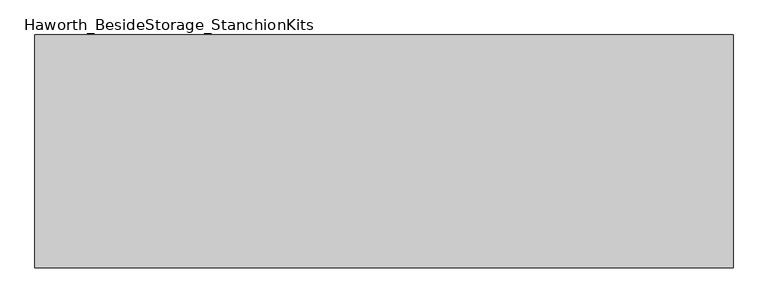
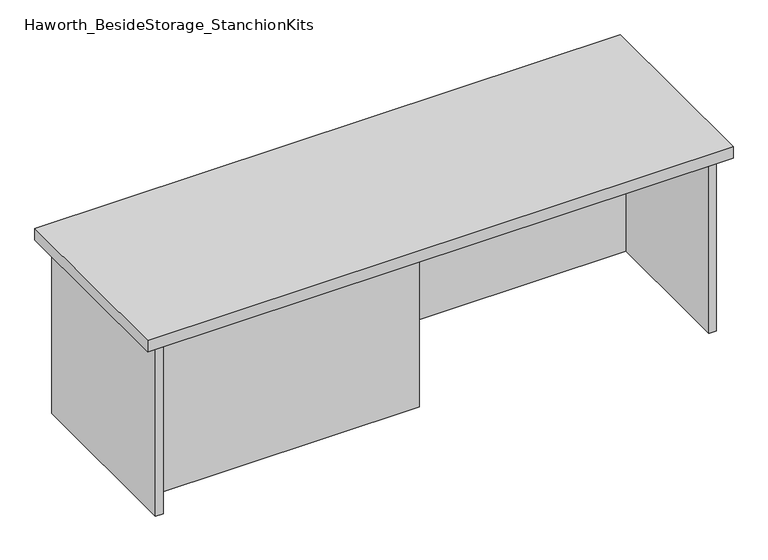
"""IFC4 building model written with IfcOpenShell, lengths in millimetres: furniture geometry, Haworth_BesideStorage_StanchionKits."""

from ifc_helpers import new_model, si_unit, frame, origin, place, context, project, spatial, polyline, outline, extrude, source, transform, mapped, element, save


def haworth_besidestorage_stanchionkits_8174a6ce(model_context):
    return source(origin(), model_context, "Body", "SweptSolid", [
        extrude(outline(polyline([(771.525, 0.0), (771.525, -406.4), (-447.675, -406.4), (-447.675, 0.0), (771.525, 0.0)])), frame((0.0, 0.0, 812.8), z_axis=(0.0, 0.0, 1.0), x_axis=(1.0, 0.0, 0.0)), (0.0, 0.0, 1.0), 25.4),
        extrude(outline(polyline([(161.925, -76.2), (730.25, -76.2), (730.25, -92.075), (161.925, -92.075), (161.925, -76.2)])), frame((0.0, 0.0, 431.8), z_axis=(0.0, 0.0, 1.0), x_axis=(1.0, 0.0, 0.0)), (0.0, 0.0, 1.0), 381.0),
        extrude(outline(polyline([(161.925, -314.325), (161.925, -330.2), (-406.4, -330.2), (-406.4, -314.325), (161.925, -314.325)])), frame((0.0, 0.0, 431.8), z_axis=(0.0, 0.0, 1.0), x_axis=(1.0, 0.0, 0.0)), (0.0, 0.0, 1.0), 381.0),
        extrude(outline(polyline([(746.125, -390.525), (730.25, -390.525), (730.25, -15.875), (746.125, -15.875), (746.125, -390.525)])), frame((0.0, 0.0, 431.8), z_axis=(0.0, 0.0, 1.0), x_axis=(1.0, 0.0, 0.0)), (0.0, 0.0, 1.0), 381.0),
        extrude(outline(polyline([(-406.4, -390.525), (-422.275, -390.525), (-422.275, -15.875), (-406.4, -15.875), (-406.4, -390.525)])), frame((0.0, 0.0, 431.8), z_axis=(0.0, 0.0, 1.0), x_axis=(1.0, 0.0, 0.0)), (0.0, 0.0, 1.0), 381.0),
    ])


if __name__ == "__main__":
    model = new_model("IFC4")
    model_context = context("Model", 3, world=origin())
    ifc_project = project(units=[si_unit("LENGTHUNIT", "METRE", prefix="MILLI")], contexts=[model_context])
    site = spatial("IfcSite", under=ifc_project)
    building = spatial("IfcBuilding", under=site)
    placement = place(None, origin())
    haworth_besidestorage_stanchionkits_shape = haworth_besidestorage_stanchionkits_8174a6ce(model_context)
    element("IfcFurniture", 1, ObjectType="Haworth_BesideStorage_StanchionKits", at=placement, inside=building, context=model_context, shape_type="MappedRepresentation", body=[
        mapped(haworth_besidestorage_stanchionkits_shape, transform((0.0, 0.0, 0.0), x_axis=(1.0, 0.0, 0.0), y_axis=(0.0, 1.0, 0.0), z_axis=(0.0, 0.0, 1.0))),
    ])
    save(model, "model.ifc")
